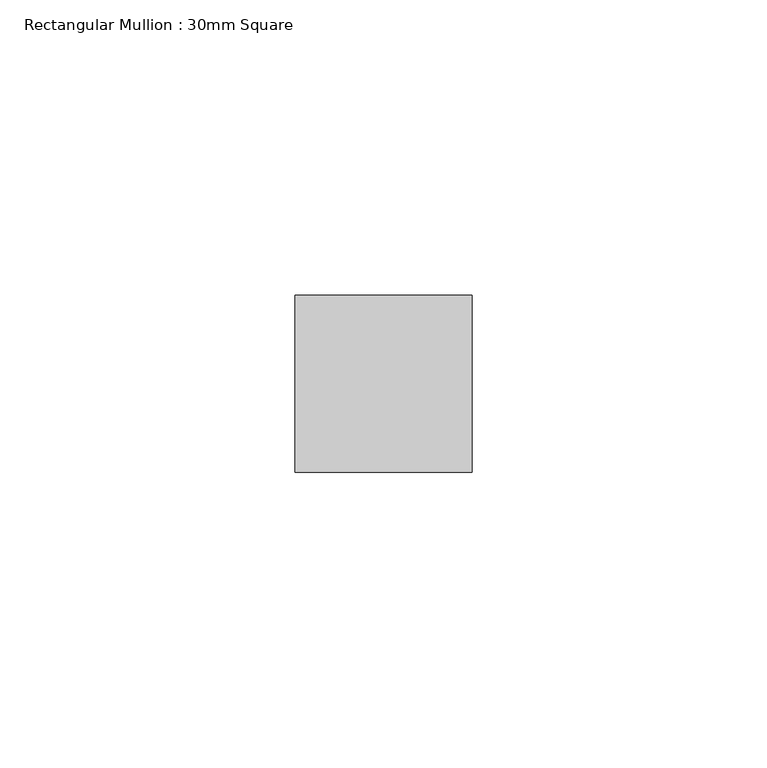
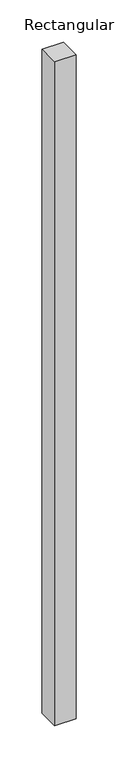
"""IFC4 building model written with IfcOpenShell, lengths in millimetres: member geometry, Rectangular Mullion : 30mm Square."""

from ifc_helpers import new_model, si_unit, frame, origin, place, context, project, spatial, polyline, outline, extrude, source, transform, mapped, element, save


def rectangular_mullion_30mm_square_8c980c53(model_context):
    return source(origin(), model_context, "Body", "SweptSolid", [
        extrude(outline(polyline([(0.0, 15.0), (0.0, -15.0), (-30.0, -15.0), (-30.0, 15.0), (0.0, 15.0)])), frame((0.0, 0.0, -964.8371184), z_axis=(0.0, 0.0, 1.0), x_axis=(1.0, 0.0, 0.0)), (0.0, 0.0, 1.0), 964.8371184),
    ])


if __name__ == "__main__":
    model = new_model("IFC4")
    model_context = context("Model", 3, world=origin())
    ifc_project = project(units=[si_unit("LENGTHUNIT", "METRE", prefix="MILLI")], contexts=[model_context])
    site = spatial("IfcSite", under=ifc_project)
    building = spatial("IfcBuilding", under=site)
    placement = place(None, origin())
    rectangular_mullion_30mm_square_shape = rectangular_mullion_30mm_square_8c980c53(model_context)
    element("IfcMember", 1, ObjectType="Rectangular Mullion : 30mm Square", at=placement, inside=building, context=model_context, shape_type="MappedRepresentation", body=[
        mapped(rectangular_mullion_30mm_square_shape, transform((0.0, 0.0, 0.0), x_axis=(1.0, 0.0, 0.0), y_axis=(0.0, 1.0, 0.0), z_axis=(0.0, 0.0, 1.0))),
    ])
    save(model, "model.ifc")
